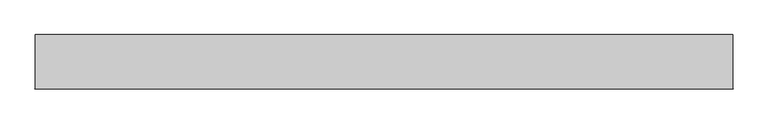
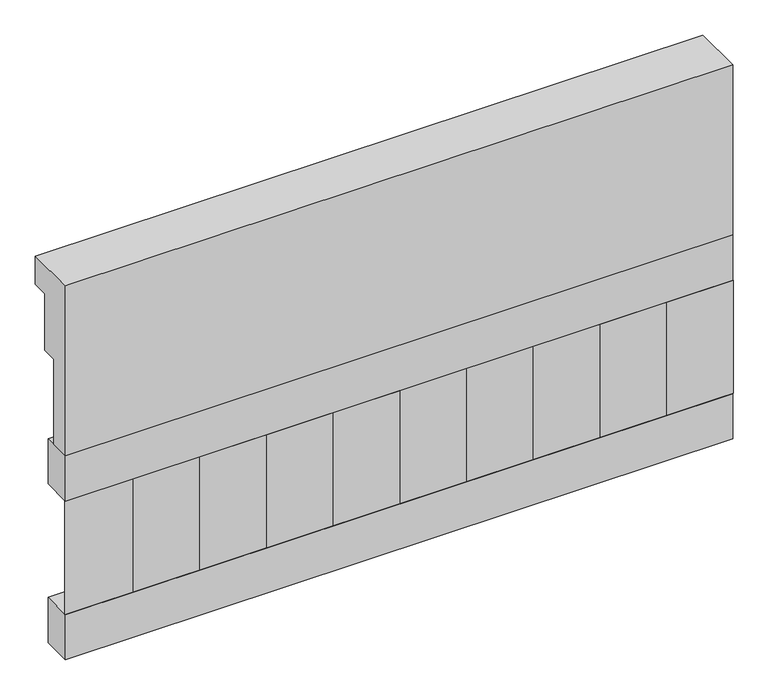
"""IFC4 building model written with IfcOpenShell, lengths in millimetres: railing geometry."""

from ifc_helpers import new_model, si_unit, frame, origin, place, context, project, spatial, polyline, outline, extrude, source, transform, mapped, element, save


def railing_dc28b82b(model_context):
    return source(origin(), model_context, "Body", "SweptSolid", [
        extrude(outline(polyline([(903.1079487, 25100.0), (1033.1079487, 25100.0), (1033.1079487, 25025.0), (993.1079487, 25025.0), (993.1079487, 24875.0), (953.1079487, 24875.0), (953.1079487, 24650.0), (903.1079487, 24650.0), (903.1079487, 25100.0)])), frame((36460.0112841, 0.0, 0.0), z_axis=(1.0, 0.0, 0.0), x_axis=(0.0, 1.0, 0.0)), (0.0, 0.0, 1.0), 1670.0),
        extrude(outline(polyline([(38130.0112841, 978.1079487), (38130.0112841, 903.1079487), (36460.0112841, 903.1079487), (36460.0112841, 978.1079487), (38130.0112841, 978.1079487)])), frame((0.0, 0.0, 24530.0), z_axis=(0.0, 0.0, 1.0), x_axis=(1.0, 0.0, 0.0)), (0.0, 0.0, 1.0), 120.0),
        extrude(outline(polyline([(38130.0112841, 978.1079487), (38130.0112841, 903.1079487), (36460.0112841, 903.1079487), (36460.0112841, 978.1079487), (38130.0112841, 978.1079487)])), frame((0.0, 0.0, 24110.0), z_axis=(0.0, 0.0, 1.0), x_axis=(1.0, 0.0, 0.0)), (0.0, 0.0, 1.0), 120.0),
        extrude(outline(polyline([(36543.5112841, 987.9607624), (36628.3640978, 903.1079487), (36458.6584704, 903.1079487), (36543.5112841, 987.9607624)])), frame((0.0, 0.0, 24230.0), z_axis=(0.0, 0.0, 1.0), x_axis=(1.0, 0.0, 0.0)), (0.0, 0.0, 1.0), 300.0),
        extrude(outline(polyline([(36710.5112841, 987.9607624), (36795.3640978, 903.1079487), (36625.6584704, 903.1079487), (36710.5112841, 987.9607624)])), frame((0.0, 0.0, 24230.0), z_axis=(0.0, 0.0, 1.0), x_axis=(1.0, 0.0, 0.0)), (0.0, 0.0, 1.0), 300.0),
        extrude(outline(polyline([(36877.5112841, 987.9607624), (36962.3640978, 903.1079487), (36792.6584704, 903.1079487), (36877.5112841, 987.9607624)])), frame((0.0, 0.0, 24230.0), z_axis=(0.0, 0.0, 1.0), x_axis=(1.0, 0.0, 0.0)), (0.0, 0.0, 1.0), 300.0),
        extrude(outline(polyline([(37044.5112841, 987.9607624), (37129.3640978, 903.1079487), (36959.6584704, 903.1079487), (37044.5112841, 987.9607624)])), frame((0.0, 0.0, 24230.0), z_axis=(0.0, 0.0, 1.0), x_axis=(1.0, 0.0, 0.0)), (0.0, 0.0, 1.0), 300.0),
        extrude(outline(polyline([(37211.5112841, 987.9607624), (37296.3640978, 903.1079487), (37126.6584704, 903.1079487), (37211.5112841, 987.9607624)])), frame((0.0, 0.0, 24230.0), z_axis=(0.0, 0.0, 1.0), x_axis=(1.0, 0.0, 0.0)), (0.0, 0.0, 1.0), 300.0),
        extrude(outline(polyline([(37378.5112841, 987.9607624), (37463.3640978, 903.1079487), (37293.6584704, 903.1079487), (37378.5112841, 987.9607624)])), frame((0.0, 0.0, 24230.0), z_axis=(0.0, 0.0, 1.0), x_axis=(1.0, 0.0, 0.0)), (0.0, 0.0, 1.0), 300.0),
        extrude(outline(polyline([(37545.5112841, 987.9607624), (37630.3640978, 903.1079487), (37460.6584704, 903.1079487), (37545.5112841, 987.9607624)])), frame((0.0, 0.0, 24230.0), z_axis=(0.0, 0.0, 1.0), x_axis=(1.0, 0.0, 0.0)), (0.0, 0.0, 1.0), 300.0),
        extrude(outline(polyline([(37712.5112841, 987.9607624), (37797.3640978, 903.1079487), (37627.6584704, 903.1079487), (37712.5112841, 987.9607624)])), frame((0.0, 0.0, 24230.0), z_axis=(0.0, 0.0, 1.0), x_axis=(1.0, 0.0, 0.0)), (0.0, 0.0, 1.0), 300.0),
        extrude(outline(polyline([(37879.5112841, 987.9607624), (37964.3640978, 903.1079487), (37794.6584704, 903.1079487), (37879.5112841, 987.9607624)])), frame((0.0, 0.0, 24230.0), z_axis=(0.0, 0.0, 1.0), x_axis=(1.0, 0.0, 0.0)), (0.0, 0.0, 1.0), 300.0),
        extrude(outline(polyline([(38046.5112841, 987.9607624), (38131.3640978, 903.1079487), (37961.6584704, 903.1079487), (38046.5112841, 987.9607624)])), frame((0.0, 0.0, 24230.0), z_axis=(0.0, 0.0, 1.0), x_axis=(1.0, 0.0, 0.0)), (0.0, 0.0, 1.0), 300.0),
    ])


if __name__ == "__main__":
    model = new_model("IFC4")
    model_context = context("Model", 3, world=origin())
    ifc_project = project(units=[si_unit("LENGTHUNIT", "METRE", prefix="MILLI")], contexts=[model_context])
    site = spatial("IfcSite", under=ifc_project)
    building = spatial("IfcBuilding", under=site)
    placement = place(None, origin())
    railing_shape = railing_dc28b82b(model_context)
    element("IfcRailing", 1, at=placement, inside=building, context=model_context, shape_type="MappedRepresentation", body=[
        mapped(railing_shape, transform((0.0, 0.0, 0.0), x_axis=(1.0, 0.0, 0.0), y_axis=(0.0, 1.0, 0.0), z_axis=(0.0, 0.0, 1.0))),
    ])
    save(model, "model.ifc")
